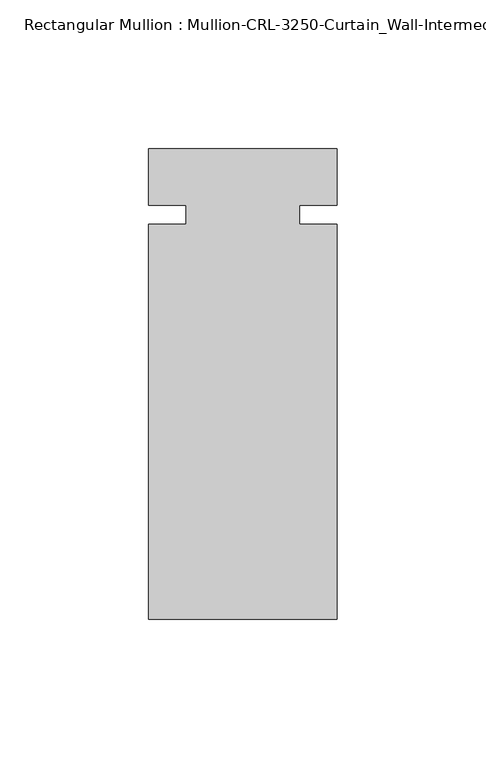
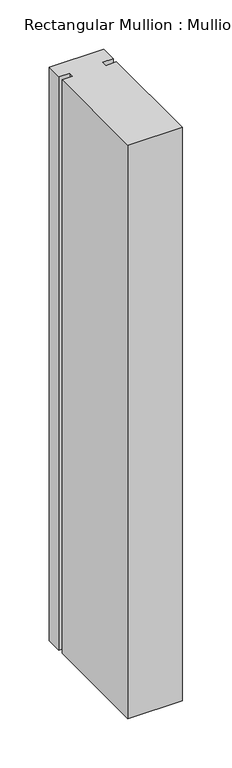
"""IFC4 building model written with IfcOpenShell, lengths in millimetres: member geometry."""

from ifc_helpers import new_model, si_unit, frame, origin, place, context, project, spatial, polyline, outline, extrude, source, transform, mapped, element, save


def member_45293c60(model_context):
    return source(origin(), model_context, "Body", "SweptSolid", [
        extrude(outline(polyline([(31.7499985, 3.175), (19.0499985, 3.175), (19.0499985, -3.175), (31.7499985, -3.175), (31.7499985, -136.0175642), (-31.7499985, -136.0175642), (-31.7499985, -3.175), (-19.0499985, -3.175), (-19.0499985, 3.175), (-31.7499985, 3.175), (-31.7499985, 22.2254168), (31.7499985, 22.2254168), (31.7499985, 3.175)])), frame((0.0, 0.0, -707.5194653), z_axis=(0.0, 0.0, 1.0), x_axis=(1.0, 0.0, 0.0)), (0.0, 0.0, 1.0), 707.5194653),
    ])


if __name__ == "__main__":
    model = new_model("IFC4")
    model_context = context("Model", 3, world=origin())
    ifc_project = project(units=[si_unit("LENGTHUNIT", "METRE", prefix="MILLI")], contexts=[model_context])
    site = spatial("IfcSite", under=ifc_project)
    building = spatial("IfcBuilding", under=site)
    placement = place(None, origin())
    member_shape = member_45293c60(model_context)
    element("IfcMember", 1, ObjectType="Rectangular Mullion : Mullion-CRL-3250-Curtain_Wall-Intermediate_Horizontal-5\"", at=placement, inside=building, context=model_context, shape_type="MappedRepresentation", body=[
        mapped(member_shape, transform((0.0, 0.0, 0.0), x_axis=(1.0, 0.0, 0.0), y_axis=(0.0, 1.0, 0.0), z_axis=(0.0, 0.0, 1.0))),
    ])
    save(model, "model.ifc")
